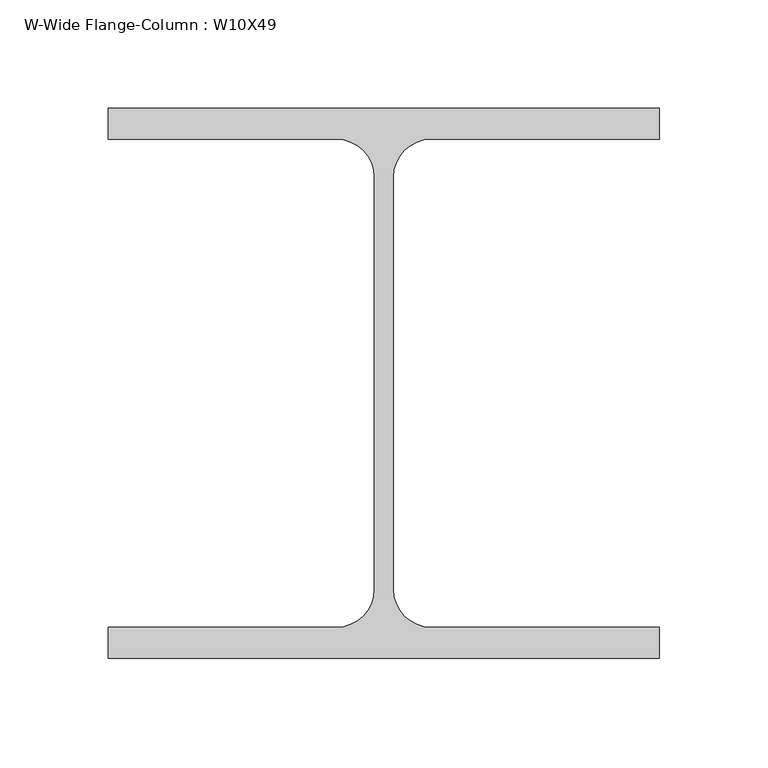
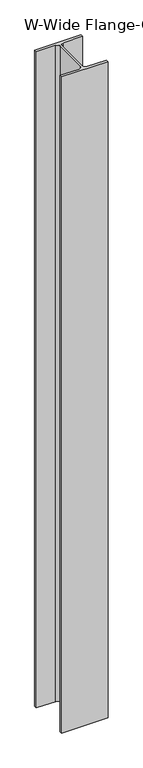
"""IFC4 building model written with IfcOpenShell, lengths in millimetres: column geometry, W-Wide Flange-Column : W10X49."""

import ifcopenshell
import ifcopenshell.guid

model = None  # the IFC model being written
_history = None  # IfcOwnerHistory: only IFC2X3 demands one
_inside = {}  # id of a spatial element -> (the spatial element, [elements in it])
_under = {}  # id of a project, library or spatial element -> (it, [spatial elements below it])
_declared = {}  # id of a project -> (the project, [libraries it declares])
_typed = {}  # id of a type object -> (the type object, [elements of that type])
_made_of = {}  # id of a material, layer set ... -> (it, [elements and type objects made of it])


def new_model(schema):
    """Start an empty IFC model of exactly this schema.

    Asked for "IFC4X3", IfcOpenShell would pick the latest addendum, in which some entities
    have other attributes; the version numbers below select the first issue.
    IFC2X3 requires an IfcOwnerHistory on every rooted entity: one is made here for all.
    """
    global model, _history
    if schema == "IFC4X3":
        model = ifcopenshell.file(schema_version=(4, 3, 0, 0))
    else:
        model = ifcopenshell.file(schema=schema)
    _inside.clear()
    _under.clear()
    _declared.clear()
    _typed.clear()
    _made_of.clear()
    _history = None
    if model.schema == "IFC2X3":
        org = make("IfcOrganization", Name="unknown")
        user = make(
            "IfcPersonAndOrganization",
            ThePerson=make("IfcPerson", FamilyName="unknown"),
            TheOrganization=org,
        )
        app = make(
            "IfcApplication",
            ApplicationDeveloper=org,
            Version="unknown",
            ApplicationFullName="unknown",
            ApplicationIdentifier="unknown",
        )
        _history = make(
            "IfcOwnerHistory",
            OwningUser=user,
            OwningApplication=app,
            ChangeAction="ADDED",
            CreationDate=0,
        )
    return model


def make(cls, **values):
    """One entity of the class cls with the attributes given. An attribute that is None is left unset."""
    return model.create_entity(
        cls, **{name: value for name, value in values.items() if value is not None}
    )


def rooted(cls, **values):
    """An entity with a GlobalId (a new one), such as an element, a storey or a relation."""
    return make(cls, GlobalId=ifcopenshell.guid.new(), OwnerHistory=_history, **values)


def si_unit(unit_type, name, prefix=None):
    """IfcSIUnit, for example si_unit("LENGTHUNIT", "METRE", prefix="MILLI")."""
    return make("IfcSIUnit", UnitType=unit_type, Prefix=prefix, Name=name)


def assignment(units):
    """IfcUnitAssignment: the units of a project."""
    return None if units is None else make("IfcUnitAssignment", Units=units)


def point(xyz):
    """IfcCartesianPoint."""
    return None if xyz is None else make("IfcCartesianPoint", Coordinates=xyz)


def direction(xyz):
    """IfcDirection."""
    return None if xyz is None else make("IfcDirection", DirectionRatios=xyz)


def frame(location, z_axis=None, x_axis=None):
    """IfcAxis2Placement3D, a coordinate frame: its origin and axes. An axis left out is left unset."""
    return make(
        "IfcAxis2Placement3D",
        Location=point(location),
        Axis=direction(z_axis),
        RefDirection=direction(x_axis),
    )


def frame_2d(location, x_axis=None):
    """IfcAxis2Placement2D, a coordinate frame in the plane: its origin and x axis."""
    return make(
        "IfcAxis2Placement2D", Location=point(location), RefDirection=direction(x_axis)
    )


def origin():
    """The frame at (0, 0, 0) with its axes left unset."""
    return frame((0.0, 0.0, 0.0))


def place(relative_to, where):
    """IfcLocalPlacement: puts the frame where relative to a parent placement (None: the world)."""
    return make(
        "IfcLocalPlacement", PlacementRelTo=relative_to, RelativePlacement=where
    )


def context(
    kind, dimensions, precision=None, world=None, true_north=None, identifier=None
):
    """IfcGeometricRepresentationContext, for example the 3D "Model" context."""
    return make(
        "IfcGeometricRepresentationContext",
        ContextIdentifier=identifier,
        ContextType=kind,
        CoordinateSpaceDimension=dimensions,
        Precision=precision,
        WorldCoordinateSystem=world,
        TrueNorth=true_north,
    )


def project(units=None, contexts=None):
    """IfcProject with its units and contexts."""
    return rooted(
        "IfcProject",
        Name="project",
        RepresentationContexts=contexts,
        UnitsInContext=assignment(units),
    )


def spatial(cls, under=None, at=None, **own):
    """A site, building, storey or space (cls), placed at a placement, below another one or the project."""
    s = rooted(cls, ObjectPlacement=at, **own)
    if under is not None:
        _under.setdefault(under.id(), (under, []))[1].append(s)
    return s


def polyline(points):
    """IfcPolyline through the points."""
    return make("IfcPolyline", Points=[point(p) for p in points])


def circle_curve(where, radius):
    """IfcCircle in the frame where."""
    return make("IfcCircle", Position=where, Radius=radius)


def trimmed(basis, trim1, trim2, sense, master):
    """IfcTrimmedCurve: the piece of a basis curve between two trims."""
    return make(
        "IfcTrimmedCurve",
        BasisCurve=basis,
        Trim1=trim1,
        Trim2=trim2,
        SenseAgreement=sense,
        MasterRepresentation=master,
    )


def segment(curve, same_sense, transition):
    """IfcCompositeCurveSegment."""
    return make(
        "IfcCompositeCurveSegment",
        Transition=transition,
        SameSense=same_sense,
        ParentCurve=curve,
    )


def composite_curve(segments, self_intersect=None):
    """IfcCompositeCurve: segments joined end to end."""
    return make("IfcCompositeCurve", Segments=segments, SelfIntersect=self_intersect)


def outline(outer, holes=None, kind="AREA"):
    """IfcArbitraryClosedProfileDef: a profile drawn as a closed curve; with holes, ...WithVoids."""
    if holes is None:
        return make("IfcArbitraryClosedProfileDef", ProfileType=kind, OuterCurve=outer)
    return make(
        "IfcArbitraryProfileDefWithVoids",
        ProfileType=kind,
        OuterCurve=outer,
        InnerCurves=holes,
    )


def extrude(swept, where, along, depth):
    """IfcExtrudedAreaSolid: the profile swept, set in the frame where, extruded along a direction by depth."""
    return make(
        "IfcExtrudedAreaSolid",
        SweptArea=swept,
        Position=where,
        ExtrudedDirection=direction(along),
        Depth=depth,
    )


def shape(context_of_items, identifier, shape_type, items):
    """IfcShapeRepresentation: the items that make up one representation, for example the "Body"."""
    return make(
        "IfcShapeRepresentation",
        ContextOfItems=context_of_items,
        RepresentationIdentifier=identifier,
        RepresentationType=shape_type,
        Items=items,
    )


def source(mapping_origin, context_of_items, identifier, shape_type, items):
    """IfcRepresentationMap: a shape defined once, which mapped items show again and again."""
    return make(
        "IfcRepresentationMap",
        MappingOrigin=mapping_origin,
        MappedRepresentation=shape(context_of_items, identifier, shape_type, items),
    )


def transform(
    local_origin,
    x_axis=None,
    y_axis=None,
    z_axis=None,
    scale=None,
    scale2=None,
    scale3=None,
    uniform=True,
):
    """IfcCartesianTransformationOperator3D, or its non-uniform kind. x_axis, y_axis, z_axis: its Axis1, 2, 3."""
    if uniform:
        return make(
            "IfcCartesianTransformationOperator3D",
            Axis1=direction(x_axis),
            Axis2=direction(y_axis),
            LocalOrigin=point(local_origin),
            Scale=scale,
            Axis3=direction(z_axis),
        )
    return make(
        "IfcCartesianTransformationOperator3DnonUniform",
        Axis1=direction(x_axis),
        Axis2=direction(y_axis),
        LocalOrigin=point(local_origin),
        Scale=scale,
        Axis3=direction(z_axis),
        Scale2=scale2,
        Scale3=scale3,
    )


def mapped(mapping_source, mapping_target):
    """IfcMappedItem: shows the shape of a source again, moved by a transform."""
    return make(
        "IfcMappedItem", MappingSource=mapping_source, MappingTarget=mapping_target
    )


def made_of(thing, what):
    """Note that an element or type object is made of a material, layer set ...; save() writes the relation."""
    if what is not None:
        _made_of.setdefault(what.id(), (what, []))[1].append(thing)
    return thing


def element(
    cls,
    number,
    at=None,
    inside=None,
    cuts=None,
    type_object=None,
    material=None,
    context=None,
    identifier="Body",
    shape_type=None,
    held_by="IfcProductDefinitionShape",
    body=None,
    shapes=None,
    **own,
):
    """One element of the class cls, such as IfcWall. Its Tag is "e" and its number.

    at: its placement. inside: the storey or other place that contains it. cuts: it is an
    opening in that element (IfcRelVoidsElement). A single representation is given by context,
    identifier, shape_type and body (its items); several are given by shapes. held_by: the class
    of the entity that holds the representations. save() writes the other relations.
    """
    e = rooted(cls, Tag="e%d" % number, ObjectPlacement=at, **own)
    if body is not None:
        shapes = [shape(context, identifier, shape_type, body)]
    if shapes is not None:
        e.Representation = make(held_by, Representations=shapes)
    if inside is not None:
        _inside.setdefault(inside.id(), (inside, []))[1].append(e)
    if cuts is not None:
        rooted(
            "IfcRelVoidsElement", RelatingBuildingElement=cuts, RelatedOpeningElement=e
        )
    if type_object is not None:
        _typed.setdefault(type_object.id(), (type_object, []))[1].append(e)
    return made_of(e, material)


def aggregate(whole, parts):
    """IfcRelAggregates: a whole, such as a stair, and the parts it consists of."""
    return rooted("IfcRelAggregates", RelatingObject=whole, RelatedObjects=parts)


def save(model, path):
    """Write the relations noted so far, then the file.

    IfcRelAggregates (storeys below a building ...), IfcRelContainedInSpatialStructure (elements
    in a storey), IfcRelDefinesByType, IfcRelAssociatesMaterial and IfcRelDeclares: one each for
    every whole, place, type object, material and project.
    """
    for whole, parts in _under.values():
        aggregate(whole, parts)
    for where, things in _inside.values():
        rooted(
            "IfcRelContainedInSpatialStructure",
            RelatedElements=things,
            RelatingStructure=where,
        )
    for kind, things in _typed.values():
        rooted("IfcRelDefinesByType", RelatedObjects=things, RelatingType=kind)
    for what, things in _made_of.values():
        rooted("IfcRelAssociatesMaterial", RelatedObjects=things, RelatingMaterial=what)
    for by, libraries in _declared.values():
        rooted("IfcRelDeclares", RelatingContext=by, RelatedDefinitions=libraries)
    model.write(path)


def w_wide_flange_column_w10x49_1d159e4c(model_context):
    return source(origin(), model_context, "Body", "SweptSolid", [
        extrude(outline(composite_curve([segment(polyline([(127.0, -126.7519531), (-127.0, -126.7519531), (-127.0, -112.5636719), (-21.8777344, -112.5636719)]), True, "CONTINUOUS"), segment(trimmed(circle_curve(frame_2d((-21.8777344, -95.0019531)), 17.5617188), [point((-21.8777344, -112.5636719))], [point((-4.3160156, -95.0019531))], True, "CARTESIAN"), True, "CONTINUOUS"), segment(polyline([(-4.3160156, -95.0019531), (-4.3160156, 95.0019531)]), True, "CONTINUOUS"), segment(trimmed(circle_curve(frame_2d((-21.8777344, 95.0019531)), 17.5617188), [point((-4.3160156, 95.0019531))], [point((-21.8777344, 112.5636719))], True, "CARTESIAN"), True, "CONTINUOUS"), segment(polyline([(-21.8777344, 112.5636719), (-127.0, 112.5636719), (-127.0, 126.7519531), (127.0, 126.7519531), (127.0, 112.5636719), (21.8777344, 112.5636719)]), True, "CONTINUOUS"), segment(trimmed(circle_curve(frame_2d((21.8777344, 95.0019531)), 17.5617187), [point((21.8777344, 112.5636719))], [point((4.3160156, 95.0019531))], True, "CARTESIAN"), True, "CONTINUOUS"), segment(polyline([(4.3160156, 95.0019531), (4.3160156, -95.0019531)]), True, "CONTINUOUS"), segment(trimmed(circle_curve(frame_2d((21.8777344, -95.0019531)), 17.5617187), [point((4.3160156, -95.0019531))], [point((21.8777344, -112.5636719))], True, "CARTESIAN"), True, "CONTINUOUS"), segment(polyline([(21.8777344, -112.5636719), (127.0, -112.5636719), (127.0, -126.7519531)]), True, "CONTINUOUS")], self_intersect=False)), frame((0.0, 0.0, 3835.4), z_axis=(0.0, 0.0, 1.0), x_axis=(1.0, 0.0, 0.0)), (0.0, 0.0, 1.0), 3784.6),
    ])


if __name__ == "__main__":
    model = new_model("IFC4")
    model_context = context("Model", 3, world=origin())
    ifc_project = project(units=[si_unit("LENGTHUNIT", "METRE", prefix="MILLI")], contexts=[model_context])
    site = spatial("IfcSite", under=ifc_project)
    building = spatial("IfcBuilding", under=site)
    placement = place(None, origin())
    w_wide_flange_column_w10x49_shape = w_wide_flange_column_w10x49_1d159e4c(model_context)
    element("IfcColumn", 1, ObjectType="W-Wide Flange-Column : W10X49", at=placement, inside=building, context=model_context, shape_type="MappedRepresentation", body=[
        mapped(w_wide_flange_column_w10x49_shape, transform((0.0, 0.0, 0.0), x_axis=(1.0, 0.0, 0.0), y_axis=(0.0, 1.0, 0.0), z_axis=(0.0, 0.0, 1.0))),
    ])
    save(model, "model.ifc")
